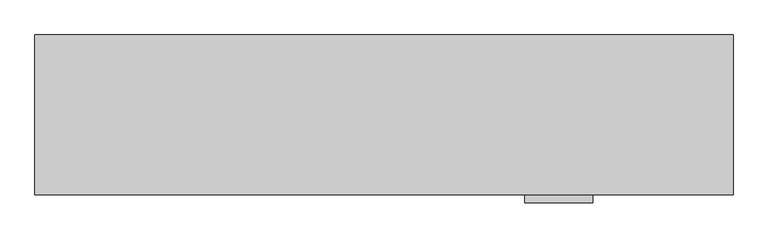
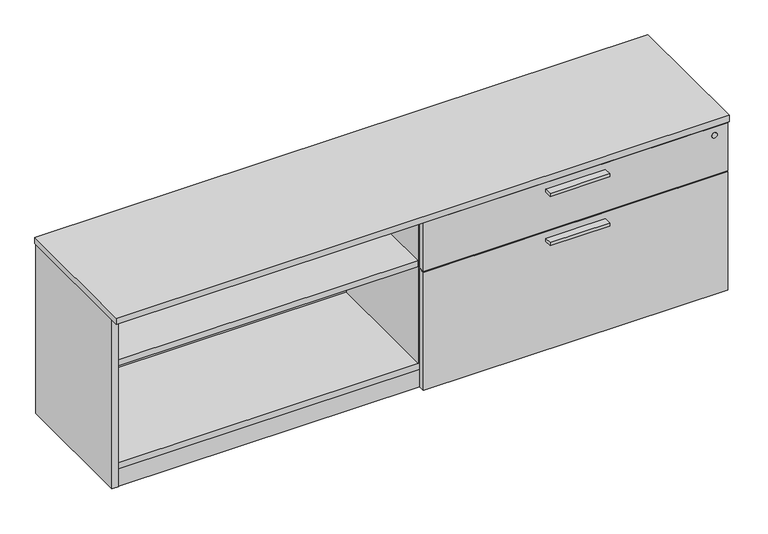
"""IFC4 building model written with IfcOpenShell, lengths in millimetres: furniture geometry."""

from ifc_helpers import new_model, si_unit, point, frame, frame_2d, origin, origin_with_axes, place, context, project, spatial, polyline, circle_curve, trimmed, segment, composite_curve, outline, extrude, source, transform, mapped, element, save


def furniture_cb30399c(model_context):
    return source(origin(), model_context, "Body", "SweptSolid", [
        extrude(outline(polyline([(1460.5635, -447.8158592), (1282.7635, -447.8158592), (1282.7635, -425.5908592), (1460.5635, -425.5908592), (1460.5635, -447.8158592)])), frame((0.0, 0.0, 351.0330729), z_axis=(0.0, 0.0, 1.0), x_axis=(1.0, 0.0, 0.0)), (0.0, 0.0, 1.0), 9.525),
        extrude(outline(polyline([(1460.5635, -447.8158592), (1282.7635, -447.8158592), (1282.7635, -425.5908592), (1460.5635, -425.5908592), (1460.5635, -447.8158592)])), frame((0.0, 0.0, 506.1508939), z_axis=(0.0, 0.0, 1.0), x_axis=(1.0, 0.0, 0.0)), (0.0, 0.0, 1.0), 9.525),
        extrude(outline(composite_curve([segment(trimmed(circle_curve(frame_2d((914.4, -217.6283713)), 4.445), [point((918.845, -217.6283713))], [point((909.955, -217.6283713))], False, "CARTESIAN"), True, "CONTINUOUS"), segment(trimmed(circle_curve(frame_2d((914.4, -217.6283713)), 4.445), [point((909.955, -217.6283713))], [point((918.845, -217.6283713))], False, "CARTESIAN"), True, "CONTINUOUS")], self_intersect=False)), frame((0.0, 0.0, 7.112), z_axis=(0.0, 0.0, 1.0), x_axis=(1.0, 0.0, 0.0)), (0.0, 0.0, 1.0), 2.032),
        extrude(outline(polyline([(920.0872187, -207.7297009), (925.8022187, -217.6283713), (920.0872187, -227.5270417), (908.6572187, -227.5270417), (902.9422187, -217.6283713), (908.6572187, -207.7297009), (920.0872187, -207.7297009)])), origin_with_axes(), (0.0, 0.0, 1.0), 9.144),
        extrude(outline(composite_curve([segment(trimmed(circle_curve(frame_2d((876.173, -246.2033713)), 3.175), [point((876.173, -249.3783713))], [point((872.998, -246.2033713))], False, "CARTESIAN"), True, "CONTINUOUS"), segment(polyline([(872.998, -246.2033713), (872.998, -189.0533713)]), True, "CONTINUOUS"), segment(trimmed(circle_curve(frame_2d((876.173, -189.0533713)), 3.175), [point((872.998, -189.0533713))], [point((876.173, -185.8783713))], False, "CARTESIAN"), True, "CONTINUOUS"), segment(polyline([(876.173, -185.8783713), (952.627, -185.8783713)]), True, "CONTINUOUS"), segment(trimmed(circle_curve(frame_2d((952.627, -189.0533713)), 3.175), [point((952.627, -185.8783713))], [point((955.802, -189.0533713))], False, "CARTESIAN"), True, "CONTINUOUS"), segment(polyline([(955.802, -189.0533713), (955.802, -246.2033713)]), True, "CONTINUOUS"), segment(trimmed(circle_curve(frame_2d((952.627, -246.2033713)), 3.175), [point((955.802, -246.2033713))], [point((952.627, -249.3783713))], False, "CARTESIAN"), True, "CONTINUOUS"), segment(polyline([(952.627, -249.3783713), (876.173, -249.3783713)]), True, "CONTINUOUS")], self_intersect=False)), frame((0.0, 0.0, 58.3692), z_axis=(0.0, 0.0, 1.0), x_axis=(1.0, 0.0, 0.0)), (0.0, 0.0, 1.0), 1.89738),
        extrude(outline(composite_curve([segment(polyline([(925.83, -230.3283713), (902.97, -230.3283713)]), True, "CONTINUOUS"), segment(trimmed(circle_curve(frame_2d((902.97, -229.0583713)), 1.27), [point((902.97, -230.3283713))], [point((901.7, -229.0583713))], False, "CARTESIAN"), True, "CONTINUOUS"), segment(polyline([(901.7, -229.0583713), (901.7, -206.1983713)]), True, "CONTINUOUS"), segment(trimmed(circle_curve(frame_2d((902.97, -206.1983713)), 1.27), [point((901.7, -206.1983713))], [point((902.97, -204.9283713))], False, "CARTESIAN"), True, "CONTINUOUS"), segment(polyline([(902.97, -204.9283713), (925.83, -204.9283713)]), True, "CONTINUOUS"), segment(trimmed(circle_curve(frame_2d((925.83, -206.1983713)), 1.27), [point((925.83, -204.9283713))], [point((927.1, -206.1983713))], False, "CARTESIAN"), True, "CONTINUOUS"), segment(polyline([(927.1, -206.1983713), (927.1, -229.0583713)]), True, "CONTINUOUS"), segment(trimmed(circle_curve(frame_2d((925.83, -229.0583713)), 1.27), [point((927.1, -229.0583713))], [point((925.83, -230.3283713))], False, "CARTESIAN"), True, "CONTINUOUS")], self_intersect=False)), frame((0.0, 0.0, 9.144), z_axis=(0.0, 0.0, 1.0), x_axis=(1.0, 0.0, 0.0)), (0.0, 0.0, 1.0), 49.2252),
        extrude(outline(polyline([(1766.4692022, -345.6355984), (1782.41706, -336.4280984), (1798.3649178, -345.6355984), (1798.3649178, -364.0505984), (1782.41706, -373.2580984), (1766.4692022, -364.0505984), (1766.4692022, -345.6355984)])), origin_with_axes(), (0.0, 0.0, 1.0), 9.144),
        extrude(outline(polyline([(1766.4692022, -47.1181713), (1782.41706, -37.9106713), (1798.3649178, -47.1181713), (1798.3649178, -65.5331713), (1782.41706, -74.7406713), (1766.4692022, -65.5331713), (1766.4692022, -47.1181713)])), origin_with_axes(), (0.0, 0.0, 1.0), 9.144),
        extrude(outline(polyline([(30.4350822, -345.6355984), (46.38294, -336.4280984), (62.3307978, -345.6355984), (62.3307978, -364.0505984), (46.38294, -373.2580984), (30.4350822, -364.0505984), (30.4350822, -345.6355984)])), origin_with_axes(), (0.0, 0.0, 1.0), 9.144),
        extrude(outline(polyline([(30.4350822, -47.1181713), (46.38294, -37.9106713), (62.3307978, -47.1181713), (62.3307978, -65.5331713), (46.38294, -74.7406713), (30.4350822, -65.5331713), (30.4350822, -47.1181713)])), origin_with_axes(), (0.0, 0.0, 1.0), 9.144),
        extrude(outline(polyline([(1807.9085154, -401.5878548), (20.8915005, -401.5878548), (20.8915005, -382.2838548), (1807.9085154, -382.2838548), (1807.9085154, -401.5878548)])), frame((0.0, 0.0, 4.699), z_axis=(0.0, 0.0, 1.0), x_axis=(1.0, 0.0, 0.0)), (0.0, 0.0, 1.0), 55.56758),
        extrude(outline(polyline([(1807.9085154, -30.4938704), (1807.9085154, -402.7308447), (20.8915005, -402.7308447), (20.8915005, -30.4938704), (1807.9085154, -30.4938704)])), frame((0.0, 0.0, 520.1843787), z_axis=(0.0, 0.0, 1.0), x_axis=(1.0, 0.0, 0.0)), (0.0, 0.0, 1.0), 19.304),
        extrude(outline(polyline([(935.4185, -30.4938704), (935.4185, -401.5878548), (916.1145, -401.5878548), (916.1145, -30.4938704), (935.4185, -30.4938704)])), frame((0.0, 0.0, 79.57058), z_axis=(0.0, 0.0, 1.0), x_axis=(1.0, 0.0, 0.0)), (0.0, 0.0, 1.0), 440.6137987),
        extrude(outline(polyline([(917.702, -406.2868776), (1825.625, -406.2868776), (1825.625, -425.5908592), (917.702, -425.5908592), (917.702, -406.2868776)])), frame((0.0, 0.0, 384.3705787), z_axis=(0.0, 0.0, 1.0), x_axis=(1.0, 0.0, 0.0)), (0.0, 0.0, 1.0), 151.9428152),
        extrude(outline(polyline([(917.702, -406.2868776), (1825.625, -406.2868776), (1825.625, -425.5908592), (917.702, -425.5908592), (917.702, -406.2868776)])), frame((0.0, 0.0, 7.874), z_axis=(0.0, 0.0, 1.0), x_axis=(1.0, 0.0, 0.0)), (0.0, 0.0, 1.0), 373.3215729),
        extrude(outline(polyline([(916.1145, -30.4938704), (916.1145, -400.8258374), (20.8915, -400.8258374), (20.8915, -30.4938704), (916.1145, -30.4938704)])), frame((0.0, 0.0, 384.3705787), z_axis=(0.0, 0.0, 1.0), x_axis=(1.0, 0.0, 0.0)), (0.0, 0.0, 1.0), 19.304),
        extrude(outline(polyline([(1828.8, -8.0783713), (1828.8, -427.1783713), (0.0, -427.1783713), (0.0, -8.0783713), (1828.8, -8.0783713)])), frame((0.0, 0.0, 539.4883818), z_axis=(0.0, 0.0, 1.0), x_axis=(1.0, 0.0, 0.0)), (0.0, 0.0, 1.0), 19.0499969),
        extrude(outline(polyline([(1807.9085154, -30.4938704), (1807.9085154, -402.7308447), (20.8915005, -402.7308447), (20.8915005, -30.4938704), (1807.9085154, -30.4938704)])), frame((0.0, 0.0, 60.26658), z_axis=(0.0, 0.0, 1.0), x_axis=(1.0, 0.0, 0.0)), (0.0, 0.0, 1.0), 19.304),
        extrude(outline(polyline([(1807.9085154, -11.1898712), (1807.9085154, -30.4938704), (20.8915005, -30.4938704), (20.8915005, -11.1898712), (1807.9085154, -11.1898712)])), frame((0.0, 0.0, 4.699), z_axis=(0.0, 0.0, 1.0), x_axis=(1.0, 0.0, 0.0)), (0.0, 0.0, 1.0), 534.7893787),
        extrude(outline(polyline([(20.8915005, -9.6658713), (20.8915005, -403.1118534), (1.5875, -403.1118534), (1.5875, -9.6658713), (20.8915005, -9.6658713)])), frame((0.0, 0.0, 4.699), z_axis=(0.0, 0.0, 1.0), x_axis=(1.0, 0.0, 0.0)), (0.0, 0.0, 1.0), 534.7893787),
        extrude(outline(polyline([(1807.9085154, -9.6658713), (1827.2125158, -9.6658713), (1827.2125158, -403.1118534), (1807.9085154, -403.1118534), (1807.9085154, -9.6658713)])), frame((0.0, 0.0, 4.699), z_axis=(0.0, 0.0, 1.0), x_axis=(1.0, 0.0, 0.0)), (0.0, 0.0, 1.0), 534.7893787),
        extrude(outline(composite_curve([segment(trimmed(circle_curve(frame_2d((510.9133939, 1785.62)), 8.001), [point((510.9133939, 1793.621))], [point((510.9133939, 1777.619))], False, "CARTESIAN"), True, "CONTINUOUS"), segment(trimmed(circle_curve(frame_2d((510.9133939, 1785.62)), 8.001), [point((510.9133939, 1777.619))], [point((510.9133939, 1793.621))], False, "CARTESIAN"), True, "CONTINUOUS")], self_intersect=False)), frame((0.0, -427.1783713, 0.0), z_axis=(0.0, 1.0, 0.0), x_axis=(0.0, 0.0, 1.0)), (0.0, 0.0, 1.0), 1.5875121),
    ])


if __name__ == "__main__":
    model = new_model("IFC4")
    model_context = context("Model", 3, world=origin())
    ifc_project = project(units=[si_unit("LENGTHUNIT", "METRE", prefix="MILLI")], contexts=[model_context])
    site = spatial("IfcSite", under=ifc_project)
    building = spatial("IfcBuilding", under=site)
    placement = place(None, origin())
    furniture_shape = furniture_cb30399c(model_context)
    element("IfcFurniture", 1, at=placement, inside=building, context=model_context, shape_type="MappedRepresentation", body=[
        mapped(furniture_shape, transform((0.0, 0.0, 0.0), x_axis=(1.0, 0.0, 0.0), y_axis=(0.0, 1.0, 0.0), z_axis=(0.0, 0.0, 1.0))),
    ])
    save(model, "model.ifc")
